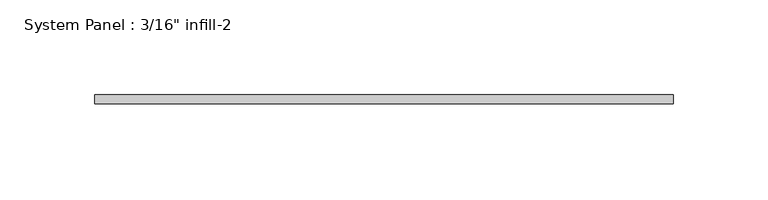
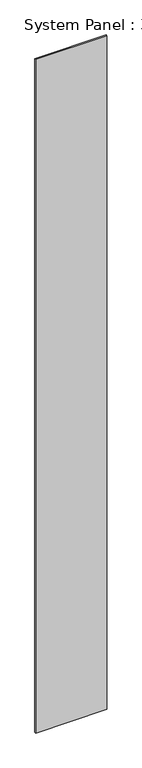
"""IFC4 building model written with IfcOpenShell, lengths in millimetres: plate geometry."""

import ifcopenshell
import ifcopenshell.guid

model = None  # the IFC model being written
_history = None  # IfcOwnerHistory: only IFC2X3 demands one
_inside = {}  # id of a spatial element -> (the spatial element, [elements in it])
_under = {}  # id of a project, library or spatial element -> (it, [spatial elements below it])
_declared = {}  # id of a project -> (the project, [libraries it declares])
_typed = {}  # id of a type object -> (the type object, [elements of that type])
_made_of = {}  # id of a material, layer set ... -> (it, [elements and type objects made of it])


def new_model(schema):
    """Start an empty IFC model of exactly this schema.

    Asked for "IFC4X3", IfcOpenShell would pick the latest addendum, in which some entities
    have other attributes; the version numbers below select the first issue.
    IFC2X3 requires an IfcOwnerHistory on every rooted entity: one is made here for all.
    """
    global model, _history
    if schema == "IFC4X3":
        model = ifcopenshell.file(schema_version=(4, 3, 0, 0))
    else:
        model = ifcopenshell.file(schema=schema)
    _inside.clear()
    _under.clear()
    _declared.clear()
    _typed.clear()
    _made_of.clear()
    _history = None
    if model.schema == "IFC2X3":
        org = make("IfcOrganization", Name="unknown")
        user = make(
            "IfcPersonAndOrganization",
            ThePerson=make("IfcPerson", FamilyName="unknown"),
            TheOrganization=org,
        )
        app = make(
            "IfcApplication",
            ApplicationDeveloper=org,
            Version="unknown",
            ApplicationFullName="unknown",
            ApplicationIdentifier="unknown",
        )
        _history = make(
            "IfcOwnerHistory",
            OwningUser=user,
            OwningApplication=app,
            ChangeAction="ADDED",
            CreationDate=0,
        )
    return model


def make(cls, **values):
    """One entity of the class cls with the attributes given. An attribute that is None is left unset."""
    return model.create_entity(
        cls, **{name: value for name, value in values.items() if value is not None}
    )


def rooted(cls, **values):
    """An entity with a GlobalId (a new one), such as an element, a storey or a relation."""
    return make(cls, GlobalId=ifcopenshell.guid.new(), OwnerHistory=_history, **values)


def si_unit(unit_type, name, prefix=None):
    """IfcSIUnit, for example si_unit("LENGTHUNIT", "METRE", prefix="MILLI")."""
    return make("IfcSIUnit", UnitType=unit_type, Prefix=prefix, Name=name)


def assignment(units):
    """IfcUnitAssignment: the units of a project."""
    return None if units is None else make("IfcUnitAssignment", Units=units)


def point(xyz):
    """IfcCartesianPoint."""
    return None if xyz is None else make("IfcCartesianPoint", Coordinates=xyz)


def direction(xyz):
    """IfcDirection."""
    return None if xyz is None else make("IfcDirection", DirectionRatios=xyz)


def frame(location, z_axis=None, x_axis=None):
    """IfcAxis2Placement3D, a coordinate frame: its origin and axes. An axis left out is left unset."""
    return make(
        "IfcAxis2Placement3D",
        Location=point(location),
        Axis=direction(z_axis),
        RefDirection=direction(x_axis),
    )


def origin():
    """The frame at (0, 0, 0) with its axes left unset."""
    return frame((0.0, 0.0, 0.0))


def origin_with_axes():
    """The frame at (0, 0, 0) with the z axis (0, 0, 1) and the x axis (1, 0, 0) written out."""
    return frame((0.0, 0.0, 0.0), z_axis=(0.0, 0.0, 1.0), x_axis=(1.0, 0.0, 0.0))


def place(relative_to, where):
    """IfcLocalPlacement: puts the frame where relative to a parent placement (None: the world)."""
    return make(
        "IfcLocalPlacement", PlacementRelTo=relative_to, RelativePlacement=where
    )


def context(
    kind, dimensions, precision=None, world=None, true_north=None, identifier=None
):
    """IfcGeometricRepresentationContext, for example the 3D "Model" context."""
    return make(
        "IfcGeometricRepresentationContext",
        ContextIdentifier=identifier,
        ContextType=kind,
        CoordinateSpaceDimension=dimensions,
        Precision=precision,
        WorldCoordinateSystem=world,
        TrueNorth=true_north,
    )


def project(units=None, contexts=None):
    """IfcProject with its units and contexts."""
    return rooted(
        "IfcProject",
        Name="project",
        RepresentationContexts=contexts,
        UnitsInContext=assignment(units),
    )


def spatial(cls, under=None, at=None, **own):
    """A site, building, storey or space (cls), placed at a placement, below another one or the project."""
    s = rooted(cls, ObjectPlacement=at, **own)
    if under is not None:
        _under.setdefault(under.id(), (under, []))[1].append(s)
    return s


def polyline(points):
    """IfcPolyline through the points."""
    return make("IfcPolyline", Points=[point(p) for p in points])


def outline(outer, holes=None, kind="AREA"):
    """IfcArbitraryClosedProfileDef: a profile drawn as a closed curve; with holes, ...WithVoids."""
    if holes is None:
        return make("IfcArbitraryClosedProfileDef", ProfileType=kind, OuterCurve=outer)
    return make(
        "IfcArbitraryProfileDefWithVoids",
        ProfileType=kind,
        OuterCurve=outer,
        InnerCurves=holes,
    )


def extrude(swept, where, along, depth):
    """IfcExtrudedAreaSolid: the profile swept, set in the frame where, extruded along a direction by depth."""
    return make(
        "IfcExtrudedAreaSolid",
        SweptArea=swept,
        Position=where,
        ExtrudedDirection=direction(along),
        Depth=depth,
    )


def shape(context_of_items, identifier, shape_type, items):
    """IfcShapeRepresentation: the items that make up one representation, for example the "Body"."""
    return make(
        "IfcShapeRepresentation",
        ContextOfItems=context_of_items,
        RepresentationIdentifier=identifier,
        RepresentationType=shape_type,
        Items=items,
    )


def source(mapping_origin, context_of_items, identifier, shape_type, items):
    """IfcRepresentationMap: a shape defined once, which mapped items show again and again."""
    return make(
        "IfcRepresentationMap",
        MappingOrigin=mapping_origin,
        MappedRepresentation=shape(context_of_items, identifier, shape_type, items),
    )


def transform(
    local_origin,
    x_axis=None,
    y_axis=None,
    z_axis=None,
    scale=None,
    scale2=None,
    scale3=None,
    uniform=True,
):
    """IfcCartesianTransformationOperator3D, or its non-uniform kind. x_axis, y_axis, z_axis: its Axis1, 2, 3."""
    if uniform:
        return make(
            "IfcCartesianTransformationOperator3D",
            Axis1=direction(x_axis),
            Axis2=direction(y_axis),
            LocalOrigin=point(local_origin),
            Scale=scale,
            Axis3=direction(z_axis),
        )
    return make(
        "IfcCartesianTransformationOperator3DnonUniform",
        Axis1=direction(x_axis),
        Axis2=direction(y_axis),
        LocalOrigin=point(local_origin),
        Scale=scale,
        Axis3=direction(z_axis),
        Scale2=scale2,
        Scale3=scale3,
    )


def mapped(mapping_source, mapping_target):
    """IfcMappedItem: shows the shape of a source again, moved by a transform."""
    return make(
        "IfcMappedItem", MappingSource=mapping_source, MappingTarget=mapping_target
    )


def made_of(thing, what):
    """Note that an element or type object is made of a material, layer set ...; save() writes the relation."""
    if what is not None:
        _made_of.setdefault(what.id(), (what, []))[1].append(thing)
    return thing


def element(
    cls,
    number,
    at=None,
    inside=None,
    cuts=None,
    type_object=None,
    material=None,
    context=None,
    identifier="Body",
    shape_type=None,
    held_by="IfcProductDefinitionShape",
    body=None,
    shapes=None,
    **own,
):
    """One element of the class cls, such as IfcWall. Its Tag is "e" and its number.

    at: its placement. inside: the storey or other place that contains it. cuts: it is an
    opening in that element (IfcRelVoidsElement). A single representation is given by context,
    identifier, shape_type and body (its items); several are given by shapes. held_by: the class
    of the entity that holds the representations. save() writes the other relations.
    """
    e = rooted(cls, Tag="e%d" % number, ObjectPlacement=at, **own)
    if body is not None:
        shapes = [shape(context, identifier, shape_type, body)]
    if shapes is not None:
        e.Representation = make(held_by, Representations=shapes)
    if inside is not None:
        _inside.setdefault(inside.id(), (inside, []))[1].append(e)
    if cuts is not None:
        rooted(
            "IfcRelVoidsElement", RelatingBuildingElement=cuts, RelatedOpeningElement=e
        )
    if type_object is not None:
        _typed.setdefault(type_object.id(), (type_object, []))[1].append(e)
    return made_of(e, material)


def aggregate(whole, parts):
    """IfcRelAggregates: a whole, such as a stair, and the parts it consists of."""
    return rooted("IfcRelAggregates", RelatingObject=whole, RelatedObjects=parts)


def save(model, path):
    """Write the relations noted so far, then the file.

    IfcRelAggregates (storeys below a building ...), IfcRelContainedInSpatialStructure (elements
    in a storey), IfcRelDefinesByType, IfcRelAssociatesMaterial and IfcRelDeclares: one each for
    every whole, place, type object, material and project.
    """
    for whole, parts in _under.values():
        aggregate(whole, parts)
    for where, things in _inside.values():
        rooted(
            "IfcRelContainedInSpatialStructure",
            RelatedElements=things,
            RelatingStructure=where,
        )
    for kind, things in _typed.values():
        rooted("IfcRelDefinesByType", RelatedObjects=things, RelatingType=kind)
    for what, things in _made_of.values():
        rooted("IfcRelAssociatesMaterial", RelatedObjects=things, RelatingMaterial=what)
    for by, libraries in _declared.values():
        rooted("IfcRelDeclares", RelatingContext=by, RelatedDefinitions=libraries)
    model.write(path)


def plate_9e9cc52f(model_context):
    return source(origin(), model_context, "Body", "SweptSolid", [
        extrude(outline(polyline([(152.4, -4.8617188), (-152.4, -4.8617188), (-152.4, -0.0992188), (152.4, -0.0992188), (152.4, -4.8617188)])), origin_with_axes(), (0.0, 0.0, 1.0), 3048.0),
    ])


if __name__ == "__main__":
    model = new_model("IFC4")
    model_context = context("Model", 3, world=origin())
    ifc_project = project(units=[si_unit("LENGTHUNIT", "METRE", prefix="MILLI")], contexts=[model_context])
    site = spatial("IfcSite", under=ifc_project)
    building = spatial("IfcBuilding", under=site)
    placement = place(None, origin())
    plate_shape = plate_9e9cc52f(model_context)
    element("IfcPlate", 1, ObjectType="System Panel : 3/16\" infill-2", at=placement, inside=building, context=model_context, shape_type="MappedRepresentation", body=[
        mapped(plate_shape, transform((0.0, 0.0, 0.0), x_axis=(1.0, 0.0, 0.0), y_axis=(0.0, 1.0, 0.0), z_axis=(0.0, 0.0, 1.0))),
    ])
    save(model, "model.ifc")
